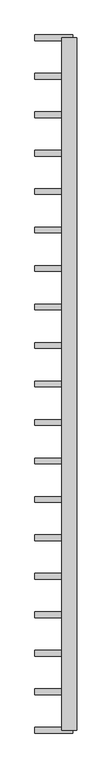
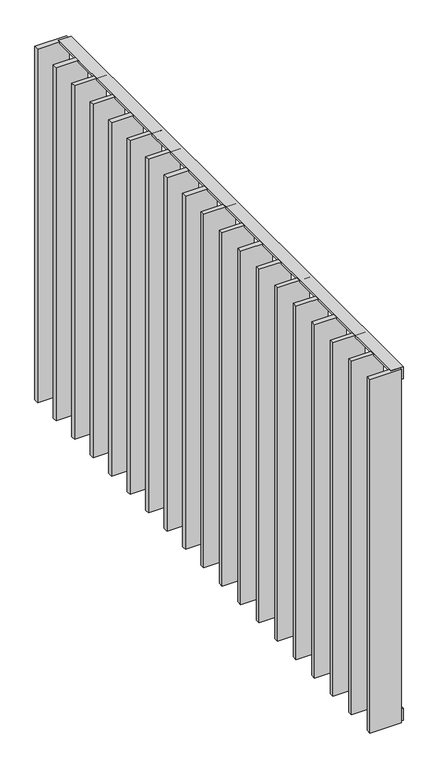
"""IFC4 building model written with IfcOpenShell, lengths in millimetres: railing geometry."""

from ifc_helpers import new_model, si_unit, frame, origin, place, context, project, spatial, polyline, outline, extrude, source, transform, mapped, element, save


def railing_9b59f797(model_context):
    return source(origin(), model_context, "Body", "SweptSolid", [
        extrude(outline(polyline([(-6.0, 14.0), (-40.0, 14.0), (-40.0, 20.0), (0.0, 20.0), (0.0, -20.0), (-6.0, -20.0), (-6.0, 14.0)])), frame((4559.5112064, 27171.429446, 8000.0), z_axis=(2.563182193965643e-12, 1.0, 0.0), x_axis=(0.0, 0.0, 1.0)), (0.0, 0.0, 1.0), 1820.0),
        extrude(outline(polyline([(6.0, 14.0), (6.0, -20.0), (0.0, -20.0), (0.0, 20.0), (40.0, 20.0), (40.0, 14.0), (6.0, 14.0)])), frame((4559.5112064, 27171.429446, 6820.0), z_axis=(2.563182193965643e-12, 1.0, 0.0), x_axis=(0.0, 0.0, 1.0)), (0.0, 0.0, 1.0), 1820.0),
        extrude(outline(polyline([(4569.5112064, 28882.8183349), (4469.5112064, 28882.8183349), (4469.5112064, 28897.8183349), (4569.5112064, 28897.8183349), (4569.5112064, 28882.8183349)])), frame((0.0, 0.0, 6819.9), z_axis=(0.0, 0.0, 1.0), x_axis=(1.0, 0.0, 0.0)), (0.0, 0.0, 1.0), 1180.2),
        extrude(outline(polyline([(4569.5112064, 28781.7072238), (4469.5112064, 28781.7072238), (4469.5112064, 28796.7072238), (4569.5112064, 28796.7072238), (4569.5112064, 28781.7072238)])), frame((0.0, 0.0, 6819.9), z_axis=(0.0, 0.0, 1.0), x_axis=(1.0, 0.0, 0.0)), (0.0, 0.0, 1.0), 1180.2),
        extrude(outline(polyline([(4569.5112064, 28680.5961126), (4469.5112064, 28680.5961126), (4469.5112064, 28695.5961126), (4569.5112064, 28695.5961126), (4569.5112064, 28680.5961126)])), frame((0.0, 0.0, 6819.9), z_axis=(0.0, 0.0, 1.0), x_axis=(1.0, 0.0, 0.0)), (0.0, 0.0, 1.0), 1180.2),
        extrude(outline(polyline([(4569.5112064, 28579.4850015), (4469.5112064, 28579.4850015), (4469.5112064, 28594.4850015), (4569.5112064, 28594.4850015), (4569.5112064, 28579.4850015)])), frame((0.0, 0.0, 6819.9), z_axis=(0.0, 0.0, 1.0), x_axis=(1.0, 0.0, 0.0)), (0.0, 0.0, 1.0), 1180.2),
        extrude(outline(polyline([(4569.5112064, 28478.3738904), (4469.5112064, 28478.3738904), (4469.5112064, 28493.3738904), (4569.5112064, 28493.3738904), (4569.5112064, 28478.3738904)])), frame((0.0, 0.0, 6819.9), z_axis=(0.0, 0.0, 1.0), x_axis=(1.0, 0.0, 0.0)), (0.0, 0.0, 1.0), 1180.2),
        extrude(outline(polyline([(4569.5112064, 28377.2627793), (4469.5112064, 28377.2627793), (4469.5112064, 28392.2627793), (4569.5112064, 28392.2627793), (4569.5112064, 28377.2627793)])), frame((0.0, 0.0, 6819.9), z_axis=(0.0, 0.0, 1.0), x_axis=(1.0, 0.0, 0.0)), (0.0, 0.0, 1.0), 1180.2),
        extrude(outline(polyline([(4569.5112064, 28276.1516682), (4469.5112064, 28276.1516682), (4469.5112064, 28291.1516682), (4569.5112064, 28291.1516682), (4569.5112064, 28276.1516682)])), frame((0.0, 0.0, 6819.9), z_axis=(0.0, 0.0, 1.0), x_axis=(1.0, 0.0, 0.0)), (0.0, 0.0, 1.0), 1180.2),
        extrude(outline(polyline([(4569.5112064, 28175.0405571), (4469.5112064, 28175.0405571), (4469.5112064, 28190.0405571), (4569.5112064, 28190.0405571), (4569.5112064, 28175.0405571)])), frame((0.0, 0.0, 6819.9), z_axis=(0.0, 0.0, 1.0), x_axis=(1.0, 0.0, 0.0)), (0.0, 0.0, 1.0), 1180.2),
        extrude(outline(polyline([(4569.5112064, 28073.929446), (4469.5112064, 28073.929446), (4469.5112064, 28088.929446), (4569.5112064, 28088.929446), (4569.5112064, 28073.929446)])), frame((0.0, 0.0, 6819.9), z_axis=(0.0, 0.0, 1.0), x_axis=(1.0, 0.0, 0.0)), (0.0, 0.0, 1.0), 1180.2),
        extrude(outline(polyline([(4569.5112064, 27972.8183349), (4469.5112064, 27972.8183349), (4469.5112064, 27987.8183349), (4569.5112064, 27987.8183349), (4569.5112064, 27972.8183349)])), frame((0.0, 0.0, 6819.9), z_axis=(0.0, 0.0, 1.0), x_axis=(1.0, 0.0, 0.0)), (0.0, 0.0, 1.0), 1180.2),
        extrude(outline(polyline([(4569.5112064, 27871.7072238), (4469.5112064, 27871.7072238), (4469.5112064, 27886.7072238), (4569.5112064, 27886.7072238), (4569.5112064, 27871.7072238)])), frame((0.0, 0.0, 6819.9), z_axis=(0.0, 0.0, 1.0), x_axis=(1.0, 0.0, 0.0)), (0.0, 0.0, 1.0), 1180.2),
        extrude(outline(polyline([(4569.5112064, 27770.5961126), (4469.5112064, 27770.5961126), (4469.5112064, 27785.5961126), (4569.5112064, 27785.5961126), (4569.5112064, 27770.5961126)])), frame((0.0, 0.0, 6819.9), z_axis=(0.0, 0.0, 1.0), x_axis=(1.0, 0.0, 0.0)), (0.0, 0.0, 1.0), 1180.2),
        extrude(outline(polyline([(4569.5112064, 27669.4850015), (4469.5112064, 27669.4850015), (4469.5112064, 27684.4850015), (4569.5112064, 27684.4850015), (4569.5112064, 27669.4850015)])), frame((0.0, 0.0, 6819.9), z_axis=(0.0, 0.0, 1.0), x_axis=(1.0, 0.0, 0.0)), (0.0, 0.0, 1.0), 1180.2),
        extrude(outline(polyline([(4569.5112064, 27568.3738904), (4469.5112064, 27568.3738904), (4469.5112064, 27583.3738904), (4569.5112064, 27583.3738904), (4569.5112064, 27568.3738904)])), frame((0.0, 0.0, 6819.9), z_axis=(0.0, 0.0, 1.0), x_axis=(1.0, 0.0, 0.0)), (0.0, 0.0, 1.0), 1180.2),
        extrude(outline(polyline([(4569.5112064, 27467.2627793), (4469.5112064, 27467.2627793), (4469.5112064, 27482.2627793), (4569.5112064, 27482.2627793), (4569.5112064, 27467.2627793)])), frame((0.0, 0.0, 6819.9), z_axis=(0.0, 0.0, 1.0), x_axis=(1.0, 0.0, 0.0)), (0.0, 0.0, 1.0), 1180.2),
        extrude(outline(polyline([(4569.5112064, 27366.1516682), (4469.5112064, 27366.1516682), (4469.5112064, 27381.1516682), (4569.5112064, 27381.1516682), (4569.5112064, 27366.1516682)])), frame((0.0, 0.0, 6819.9), z_axis=(0.0, 0.0, 1.0), x_axis=(1.0, 0.0, 0.0)), (0.0, 0.0, 1.0), 1180.2),
        extrude(outline(polyline([(4569.5112064, 27265.0405571), (4469.5112064, 27265.0405571), (4469.5112064, 27280.0405571), (4569.5112064, 27280.0405571), (4569.5112064, 27265.0405571)])), frame((0.0, 0.0, 6819.9), z_axis=(0.0, 0.0, 1.0), x_axis=(1.0, 0.0, 0.0)), (0.0, 0.0, 1.0), 1180.2),
        extrude(outline(polyline([(4569.5112064, 28983.929446), (4469.5112064, 28983.929446), (4469.5112064, 28998.929446), (4569.5112064, 28998.929446), (4569.5112064, 28983.929446)])), frame((0.0, 0.0, 6819.9), z_axis=(0.0, 0.0, 1.0), x_axis=(1.0, 0.0, 0.0)), (0.0, 0.0, 1.0), 1180.2),
        extrude(outline(polyline([(4569.5112064, 27163.929446), (4469.5112064, 27163.929446), (4469.5112064, 27178.929446), (4569.5112064, 27178.929446), (4569.5112064, 27163.929446)])), frame((0.0, 0.0, 6819.9), z_axis=(0.0, 0.0, 1.0), x_axis=(1.0, 0.0, 0.0)), (0.0, 0.0, 1.0), 1180.2),
    ])


if __name__ == "__main__":
    model = new_model("IFC4")
    model_context = context("Model", 3, world=origin())
    ifc_project = project(units=[si_unit("LENGTHUNIT", "METRE", prefix="MILLI")], contexts=[model_context])
    site = spatial("IfcSite", under=ifc_project)
    building = spatial("IfcBuilding", under=site)
    placement = place(None, origin())
    railing_shape = railing_9b59f797(model_context)
    element("IfcRailing", 1, at=placement, inside=building, context=model_context, shape_type="MappedRepresentation", body=[
        mapped(railing_shape, transform((0.0, 0.0, 0.0), x_axis=(1.0, 0.0, 0.0), y_axis=(0.0, 1.0, 0.0), z_axis=(0.0, 0.0, 1.0))),
    ])
    save(model, "model.ifc")
